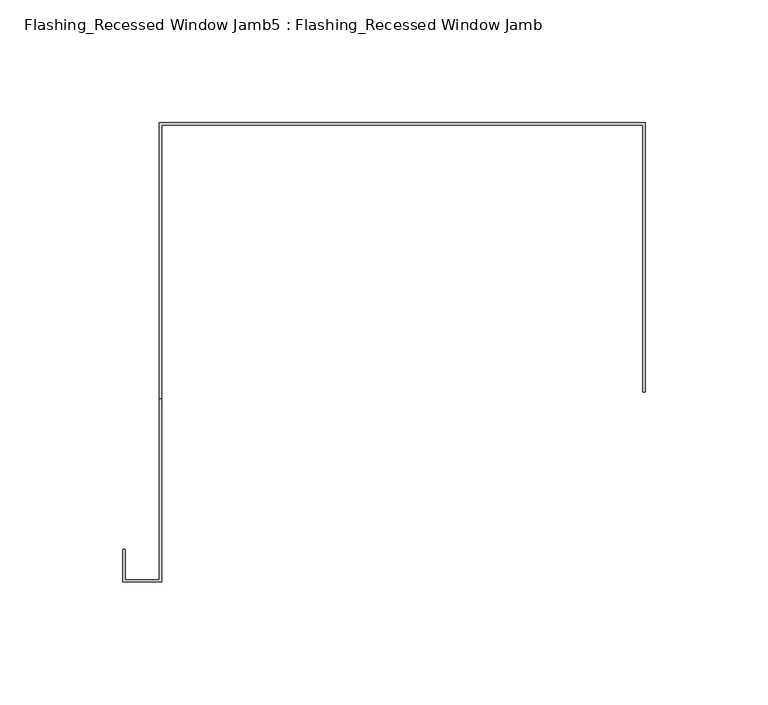
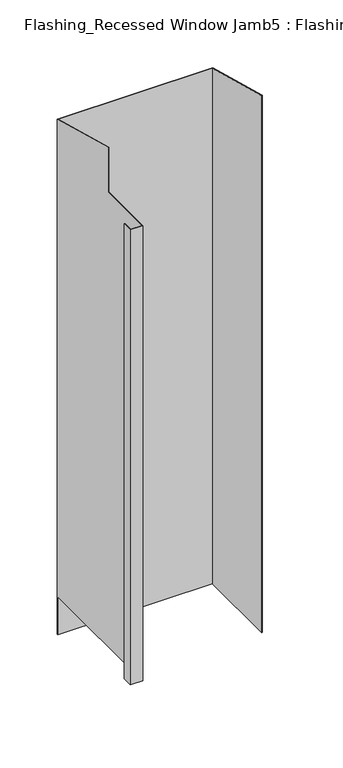
"""IFC4 building model written with IfcOpenShell, lengths in millimetres: proxy geometry, Flashing_Recessed Window Jamb5 : Flashing_Recessed Window Jamb."""

from ifc_helpers import new_model, si_unit, origin, place, context, project, spatial, faceted_brep, source, transform, mapped, element, save


def flashing_recessed_window_jamb5_flashing_recessed_window_jamb_e3a67abe(model_context):
    return source(origin(), model_context, "Body", "Brep", [
        faceted_brep([(13823.4791786, 548.8615096, 1663.2617476), (13823.4791786, 657.7344915, 1663.2617476), (13626.4791786, 657.7295032, 1663.2617476), (13626.4791786, 658.7344915, 1663.2617476), (13824.4791786, 658.7344915, 1663.2617476), (13824.4791786, 548.8615096, 1663.2617476), (13824.4791786, 548.8615096, 2386.2252595), (13823.4791786, 548.8615096, 2386.2252595), (13824.4791786, 658.7344915, 2356.7848827), (13626.4791786, 658.7344915, 2356.7848827), (13626.4791786, 657.7295032, 1714.3524154), (13626.4791786, 472.3615096, 1714.3524154), (13626.4791786, 472.3615096, 2326.6712797), (13626.4791786, 546.3124471, 2326.6712797), (13626.4791786, 546.3124471, 2386.9082787), (13612.4791786, 472.3615096, 1714.3524154), (13612.4791786, 472.3615096, 2326.6712797), (13612.4791786, 484.6872381, 1714.3524154), (13612.4791786, 484.6872381, 2326.6712797), (13611.4791786, 484.6872381, 1714.3524154), (13611.4791786, 484.6872381, 2326.6712797), (13611.4791786, 471.3615096, 1714.3524154), (13611.4791786, 471.3615096, 2326.6712797), (13627.4791786, 471.3615096, 1714.3524154), (13627.4791786, 471.3615096, 2326.6712797), (13627.4791786, 657.7344915, 1714.3524154), (13627.4791786, 657.7344915, 2357.0528319), (13627.4791786, 546.3124471, 2386.9082787), (13627.4791786, 546.3124471, 2326.6712797), (13823.4791786, 657.7344915, 2357.0528319)], [[[0, 1, 2, 3, 4, 5]], [[0, 5, 6, 7]], [[5, 4, 8, 6]], [[4, 3, 9, 8]], [[3, 2, 10, 11, 12, 13, 14, 9]], [[11, 15, 16, 12]], [[15, 17, 18, 16]], [[17, 19, 20, 18]], [[19, 21, 22, 20]], [[21, 23, 24, 22]], [[23, 25, 26, 27, 28, 24]], [[25, 10, 2, 1, 29, 26]], [[1, 0, 7, 29]], [[10, 25, 23, 21, 19, 17, 15, 11]], [[28, 13, 12, 16, 18, 20, 22, 24]], [[13, 28, 27, 14]], [[7, 6, 8, 9, 14, 27, 26, 29]]]),
    ])


if __name__ == "__main__":
    model = new_model("IFC4")
    model_context = context("Model", 3, world=origin())
    ifc_project = project(units=[si_unit("LENGTHUNIT", "METRE", prefix="MILLI")], contexts=[model_context])
    site = spatial("IfcSite", under=ifc_project)
    building = spatial("IfcBuilding", under=site)
    placement = place(None, origin())
    flashing_recessed_window_jamb5_flashing_recessed_window_jamb_shape = flashing_recessed_window_jamb5_flashing_recessed_window_jamb_e3a67abe(model_context)
    element("IfcBuildingElementProxy", 1, Name="Flashing_Recessed Window Jamb5 : Flashing_Recessed Window Jamb", ObjectType="Flashing_Recessed Window Jamb5 : Flashing_Recessed Window Jamb", at=placement, inside=building, context=model_context, shape_type="MappedRepresentation", body=[
        mapped(flashing_recessed_window_jamb5_flashing_recessed_window_jamb_shape, transform((0.0, 0.0, 0.0), x_axis=(1.0, 0.0, 0.0), y_axis=(0.0, 1.0, 0.0), z_axis=(0.0, 0.0, 1.0))),
    ])
    save(model, "model.ifc")
